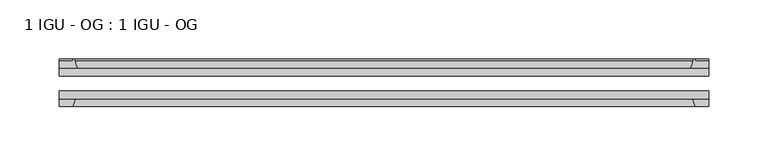
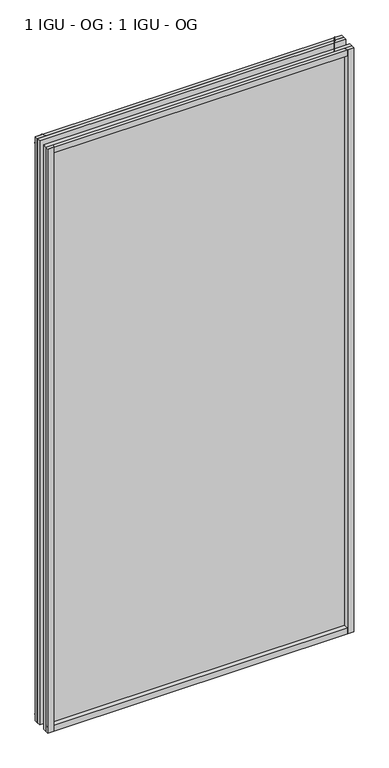
"""IFC4 building model written with IfcOpenShell, lengths in millimetres: plate geometry, 1 IGU - OG : 1 IGU - OG."""

import ifcopenshell
import ifcopenshell.guid

model = None  # the IFC model being written
_history = None  # IfcOwnerHistory: only IFC2X3 demands one
_inside = {}  # id of a spatial element -> (the spatial element, [elements in it])
_under = {}  # id of a project, library or spatial element -> (it, [spatial elements below it])
_declared = {}  # id of a project -> (the project, [libraries it declares])
_typed = {}  # id of a type object -> (the type object, [elements of that type])
_made_of = {}  # id of a material, layer set ... -> (it, [elements and type objects made of it])


def new_model(schema):
    """Start an empty IFC model of exactly this schema.

    Asked for "IFC4X3", IfcOpenShell would pick the latest addendum, in which some entities
    have other attributes; the version numbers below select the first issue.
    IFC2X3 requires an IfcOwnerHistory on every rooted entity: one is made here for all.
    """
    global model, _history
    if schema == "IFC4X3":
        model = ifcopenshell.file(schema_version=(4, 3, 0, 0))
    else:
        model = ifcopenshell.file(schema=schema)
    _inside.clear()
    _under.clear()
    _declared.clear()
    _typed.clear()
    _made_of.clear()
    _history = None
    if model.schema == "IFC2X3":
        org = make("IfcOrganization", Name="unknown")
        user = make(
            "IfcPersonAndOrganization",
            ThePerson=make("IfcPerson", FamilyName="unknown"),
            TheOrganization=org,
        )
        app = make(
            "IfcApplication",
            ApplicationDeveloper=org,
            Version="unknown",
            ApplicationFullName="unknown",
            ApplicationIdentifier="unknown",
        )
        _history = make(
            "IfcOwnerHistory",
            OwningUser=user,
            OwningApplication=app,
            ChangeAction="ADDED",
            CreationDate=0,
        )
    return model


def make(cls, **values):
    """One entity of the class cls with the attributes given. An attribute that is None is left unset."""
    return model.create_entity(
        cls, **{name: value for name, value in values.items() if value is not None}
    )


def rooted(cls, **values):
    """An entity with a GlobalId (a new one), such as an element, a storey or a relation."""
    return make(cls, GlobalId=ifcopenshell.guid.new(), OwnerHistory=_history, **values)


def si_unit(unit_type, name, prefix=None):
    """IfcSIUnit, for example si_unit("LENGTHUNIT", "METRE", prefix="MILLI")."""
    return make("IfcSIUnit", UnitType=unit_type, Prefix=prefix, Name=name)


def assignment(units):
    """IfcUnitAssignment: the units of a project."""
    return None if units is None else make("IfcUnitAssignment", Units=units)


def point(xyz):
    """IfcCartesianPoint."""
    return None if xyz is None else make("IfcCartesianPoint", Coordinates=xyz)


def direction(xyz):
    """IfcDirection."""
    return None if xyz is None else make("IfcDirection", DirectionRatios=xyz)


def frame(location, z_axis=None, x_axis=None):
    """IfcAxis2Placement3D, a coordinate frame: its origin and axes. An axis left out is left unset."""
    return make(
        "IfcAxis2Placement3D",
        Location=point(location),
        Axis=direction(z_axis),
        RefDirection=direction(x_axis),
    )


def frame_2d(location, x_axis=None):
    """IfcAxis2Placement2D, a coordinate frame in the plane: its origin and x axis."""
    return make(
        "IfcAxis2Placement2D", Location=point(location), RefDirection=direction(x_axis)
    )


def origin():
    """The frame at (0, 0, 0) with its axes left unset."""
    return frame((0.0, 0.0, 0.0))


def place(relative_to, where):
    """IfcLocalPlacement: puts the frame where relative to a parent placement (None: the world)."""
    return make(
        "IfcLocalPlacement", PlacementRelTo=relative_to, RelativePlacement=where
    )


def context(
    kind, dimensions, precision=None, world=None, true_north=None, identifier=None
):
    """IfcGeometricRepresentationContext, for example the 3D "Model" context."""
    return make(
        "IfcGeometricRepresentationContext",
        ContextIdentifier=identifier,
        ContextType=kind,
        CoordinateSpaceDimension=dimensions,
        Precision=precision,
        WorldCoordinateSystem=world,
        TrueNorth=true_north,
    )


def project(units=None, contexts=None):
    """IfcProject with its units and contexts."""
    return rooted(
        "IfcProject",
        Name="project",
        RepresentationContexts=contexts,
        UnitsInContext=assignment(units),
    )


def spatial(cls, under=None, at=None, **own):
    """A site, building, storey or space (cls), placed at a placement, below another one or the project."""
    s = rooted(cls, ObjectPlacement=at, **own)
    if under is not None:
        _under.setdefault(under.id(), (under, []))[1].append(s)
    return s


def polyline(points):
    """IfcPolyline through the points."""
    return make("IfcPolyline", Points=[point(p) for p in points])


def circle_curve(where, radius):
    """IfcCircle in the frame where."""
    return make("IfcCircle", Position=where, Radius=radius)


def trimmed(basis, trim1, trim2, sense, master):
    """IfcTrimmedCurve: the piece of a basis curve between two trims."""
    return make(
        "IfcTrimmedCurve",
        BasisCurve=basis,
        Trim1=trim1,
        Trim2=trim2,
        SenseAgreement=sense,
        MasterRepresentation=master,
    )


def segment(curve, same_sense, transition):
    """IfcCompositeCurveSegment."""
    return make(
        "IfcCompositeCurveSegment",
        Transition=transition,
        SameSense=same_sense,
        ParentCurve=curve,
    )


def composite_curve(segments, self_intersect=None):
    """IfcCompositeCurve: segments joined end to end."""
    return make("IfcCompositeCurve", Segments=segments, SelfIntersect=self_intersect)


def outline(outer, holes=None, kind="AREA"):
    """IfcArbitraryClosedProfileDef: a profile drawn as a closed curve; with holes, ...WithVoids."""
    if holes is None:
        return make("IfcArbitraryClosedProfileDef", ProfileType=kind, OuterCurve=outer)
    return make(
        "IfcArbitraryProfileDefWithVoids",
        ProfileType=kind,
        OuterCurve=outer,
        InnerCurves=holes,
    )


def extrude(swept, where, along, depth):
    """IfcExtrudedAreaSolid: the profile swept, set in the frame where, extruded along a direction by depth."""
    return make(
        "IfcExtrudedAreaSolid",
        SweptArea=swept,
        Position=where,
        ExtrudedDirection=direction(along),
        Depth=depth,
    )


def shape(context_of_items, identifier, shape_type, items):
    """IfcShapeRepresentation: the items that make up one representation, for example the "Body"."""
    return make(
        "IfcShapeRepresentation",
        ContextOfItems=context_of_items,
        RepresentationIdentifier=identifier,
        RepresentationType=shape_type,
        Items=items,
    )


def source(mapping_origin, context_of_items, identifier, shape_type, items):
    """IfcRepresentationMap: a shape defined once, which mapped items show again and again."""
    return make(
        "IfcRepresentationMap",
        MappingOrigin=mapping_origin,
        MappedRepresentation=shape(context_of_items, identifier, shape_type, items),
    )


def transform(
    local_origin,
    x_axis=None,
    y_axis=None,
    z_axis=None,
    scale=None,
    scale2=None,
    scale3=None,
    uniform=True,
):
    """IfcCartesianTransformationOperator3D, or its non-uniform kind. x_axis, y_axis, z_axis: its Axis1, 2, 3."""
    if uniform:
        return make(
            "IfcCartesianTransformationOperator3D",
            Axis1=direction(x_axis),
            Axis2=direction(y_axis),
            LocalOrigin=point(local_origin),
            Scale=scale,
            Axis3=direction(z_axis),
        )
    return make(
        "IfcCartesianTransformationOperator3DnonUniform",
        Axis1=direction(x_axis),
        Axis2=direction(y_axis),
        LocalOrigin=point(local_origin),
        Scale=scale,
        Axis3=direction(z_axis),
        Scale2=scale2,
        Scale3=scale3,
    )


def mapped(mapping_source, mapping_target):
    """IfcMappedItem: shows the shape of a source again, moved by a transform."""
    return make(
        "IfcMappedItem", MappingSource=mapping_source, MappingTarget=mapping_target
    )


def made_of(thing, what):
    """Note that an element or type object is made of a material, layer set ...; save() writes the relation."""
    if what is not None:
        _made_of.setdefault(what.id(), (what, []))[1].append(thing)
    return thing


def element(
    cls,
    number,
    at=None,
    inside=None,
    cuts=None,
    type_object=None,
    material=None,
    context=None,
    identifier="Body",
    shape_type=None,
    held_by="IfcProductDefinitionShape",
    body=None,
    shapes=None,
    **own,
):
    """One element of the class cls, such as IfcWall. Its Tag is "e" and its number.

    at: its placement. inside: the storey or other place that contains it. cuts: it is an
    opening in that element (IfcRelVoidsElement). A single representation is given by context,
    identifier, shape_type and body (its items); several are given by shapes. held_by: the class
    of the entity that holds the representations. save() writes the other relations.
    """
    e = rooted(cls, Tag="e%d" % number, ObjectPlacement=at, **own)
    if body is not None:
        shapes = [shape(context, identifier, shape_type, body)]
    if shapes is not None:
        e.Representation = make(held_by, Representations=shapes)
    if inside is not None:
        _inside.setdefault(inside.id(), (inside, []))[1].append(e)
    if cuts is not None:
        rooted(
            "IfcRelVoidsElement", RelatingBuildingElement=cuts, RelatedOpeningElement=e
        )
    if type_object is not None:
        _typed.setdefault(type_object.id(), (type_object, []))[1].append(e)
    return made_of(e, material)


def aggregate(whole, parts):
    """IfcRelAggregates: a whole, such as a stair, and the parts it consists of."""
    return rooted("IfcRelAggregates", RelatingObject=whole, RelatedObjects=parts)


def save(model, path):
    """Write the relations noted so far, then the file.

    IfcRelAggregates (storeys below a building ...), IfcRelContainedInSpatialStructure (elements
    in a storey), IfcRelDefinesByType, IfcRelAssociatesMaterial and IfcRelDeclares: one each for
    every whole, place, type object, material and project.
    """
    for whole, parts in _under.values():
        aggregate(whole, parts)
    for where, things in _inside.values():
        rooted(
            "IfcRelContainedInSpatialStructure",
            RelatedElements=things,
            RelatingStructure=where,
        )
    for kind, things in _typed.values():
        rooted("IfcRelDefinesByType", RelatedObjects=things, RelatingType=kind)
    for what, things in _made_of.values():
        rooted("IfcRelAssociatesMaterial", RelatedObjects=things, RelatingMaterial=what)
    for by, libraries in _declared.values():
        rooted("IfcRelDeclares", RelatingContext=by, RelatedDefinitions=libraries)
    model.write(path)


def plate_1_igu_og_1_igu_og_83be4a19(model_context):
    return source(origin(), model_context, "Body", "SweptSolid", [
        extrude(outline(polyline([(273.1261935, -31.75), (273.1261935, -38.1), (-273.1261935, -38.1), (-273.1261935, -31.75), (273.1261935, -31.75)])), frame((0.0, 0.0, -11.1125), z_axis=(0.0, 0.0, 1.0), x_axis=(1.0, 0.0, 0.0)), (0.0, 0.0, 1.0), 1101.7245636),
        extrude(outline(polyline([(-273.1261935, -12.7), (273.1261935, -12.7), (273.1261935, -19.05), (-273.1261935, -19.05), (-273.1261935, -12.7)])), frame((0.0, 0.0, -11.1125), z_axis=(0.0, 0.0, 1.0), x_axis=(1.0, 0.0, 0.0)), (0.0, 0.0, 1.0), 1101.7245636),
        extrude(outline(composite_curve([segment(polyline([(-257.7904026, -12.7), (-273.1261935, -12.7), (-273.1261935, -6.35), (-262.0136935, -6.35), (-262.0136935, -4.7751661), (-261.0842795, -4.7751661)]), True, "CONTINUOUS"), segment(trimmed(circle_curve(frame_2d((-261.0842795, -5.5371661)), 0.762), [point((-261.0842795, -4.7751661))], [point((-260.3420696, -5.364631))], False, "CARTESIAN"), True, "CONTINUOUS"), segment(trimmed(circle_curve(frame_2d((-224.7128514, 2.9177851)), 36.5792237), [point((-260.3420696, -5.364631))], [point((-257.7904026, -12.7))], True, "CARTESIAN"), True, "CONTINUOUS")], self_intersect=False)), frame((0.0, 0.0, -11.1125), z_axis=(0.0, 0.0, 1.0), x_axis=(1.0, 0.0, 0.0)), (0.0, 0.0, 1.0), 1101.7245636),
        extrude(outline(polyline([(-273.1261935, -38.1), (-259.9084164, -38.1), (-262.0136935, -44.45), (-273.1261935, -44.45), (-273.1261935, -38.1)])), frame((0.0, 0.0, -11.1125), z_axis=(0.0, 0.0, 1.0), x_axis=(1.0, 0.0, 0.0)), (0.0, 0.0, 1.0), 1101.7245636),
        extrude(outline(composite_curve([segment(trimmed(circle_curve(frame_2d((261.0842795, -5.5371661)), 0.762), [point((260.3420696, -5.364631))], [point((261.0842795, -4.7751661))], False, "CARTESIAN"), True, "CONTINUOUS"), segment(polyline([(261.0842795, -4.7751661), (262.0136935, -4.7751661), (262.0136935, -6.35), (273.1261935, -6.35), (273.1261935, -12.7), (257.7904026, -12.7)]), True, "CONTINUOUS"), segment(trimmed(circle_curve(frame_2d((224.7128514, 2.9177851)), 36.5792237), [point((257.7904026, -12.7))], [point((260.3420696, -5.364631))], True, "CARTESIAN"), True, "CONTINUOUS")], self_intersect=False)), frame((0.0, 0.0, -11.1125), z_axis=(0.0, 0.0, 1.0), x_axis=(1.0, 0.0, 0.0)), (0.0, 0.0, 1.0), 1101.7245636),
        extrude(outline(polyline([(259.9084164, -38.1), (273.1261935, -38.1), (273.1261935, -44.45), (262.0136935, -44.45), (259.9084164, -38.1)])), frame((0.0, 0.0, -11.1125), z_axis=(0.0, 0.0, 1.0), x_axis=(1.0, 0.0, 0.0)), (0.0, 0.0, 1.0), 1101.7245636),
        extrude(outline(composite_curve([segment(polyline([(-12.7, -11.1125), (-12.7, 4.2232909)]), True, "CONTINUOUS"), segment(trimmed(circle_curve(frame_2d((2.9177851, 37.3008421)), 36.5792237), [point((-12.7, 4.2232909))], [point((-5.364631, 1.6716239))], True, "CARTESIAN"), True, "CONTINUOUS"), segment(trimmed(circle_curve(frame_2d((-5.5371661, 0.929414)), 0.762), [point((-5.364631, 1.6716239))], [point((-4.7751661, 0.929414))], False, "CARTESIAN"), True, "CONTINUOUS"), segment(polyline([(-4.7751661, 0.929414), (-4.7751661, 0.0), (-6.35, 0.0), (-6.35, -11.1125), (-12.7, -11.1125)]), True, "CONTINUOUS")], self_intersect=False)), frame((-273.1261935, 0.0, 0.0), z_axis=(1.0, 0.0, 0.0), x_axis=(0.0, 1.0, 0.0)), (0.0, 0.0, 1.0), 546.252387),
        extrude(outline(polyline([(-38.1, 2.1052771), (-38.1, -11.1125), (-44.45, -11.1125), (-44.45, 0.0), (-38.1, 2.1052771)])), frame((-273.1261935, 0.0, 0.0), z_axis=(1.0, 0.0, 0.0), x_axis=(0.0, 1.0, 0.0)), (0.0, 0.0, 1.0), 546.252387),
        extrude(outline(composite_curve([segment(trimmed(circle_curve(frame_2d((2.9177851, 1042.1987214)), 36.5792237), [point((-5.364631, 1077.8279397))], [point((-12.7, 1075.2762727))], True, "CARTESIAN"), True, "CONTINUOUS"), segment(polyline([(-12.7, 1075.2762727), (-12.7, 1090.6120636), (-6.35, 1090.6120636), (-6.35, 1079.4995636), (-4.7751661, 1079.4995636), (-4.7751661, 1078.5701496)]), True, "CONTINUOUS"), segment(trimmed(circle_curve(frame_2d((-5.5371661, 1078.5701496)), 0.762), [point((-4.7751661, 1078.5701496))], [point((-5.364631, 1077.8279397))], False, "CARTESIAN"), True, "CONTINUOUS")], self_intersect=False)), frame((-273.1261935, 0.0, 0.0), z_axis=(1.0, 0.0, 0.0), x_axis=(0.0, 1.0, 0.0)), (0.0, 0.0, 1.0), 546.252387),
        extrude(outline(polyline([(-38.1, 1090.6120636), (-38.1, 1077.3942865), (-44.45, 1079.4995636), (-44.45, 1090.6120636), (-38.1, 1090.6120636)])), frame((-273.1261935, 0.0, 0.0), z_axis=(1.0, 0.0, 0.0), x_axis=(0.0, 1.0, 0.0)), (0.0, 0.0, 1.0), 546.252387),
    ])


if __name__ == "__main__":
    model = new_model("IFC4")
    model_context = context("Model", 3, world=origin())
    ifc_project = project(units=[si_unit("LENGTHUNIT", "METRE", prefix="MILLI")], contexts=[model_context])
    site = spatial("IfcSite", under=ifc_project)
    building = spatial("IfcBuilding", under=site)
    placement = place(None, origin())
    plate_1_igu_og_1_igu_og_shape = plate_1_igu_og_1_igu_og_83be4a19(model_context)
    element("IfcPlate", 1, ObjectType="1 IGU - OG : 1 IGU - OG", at=placement, inside=building, context=model_context, shape_type="MappedRepresentation", body=[
        mapped(plate_1_igu_og_1_igu_og_shape, transform((0.0, 0.0, 0.0), x_axis=(1.0, 0.0, 0.0), y_axis=(0.0, 1.0, 0.0), z_axis=(0.0, 0.0, 1.0))),
    ])
    save(model, "model.ifc")
